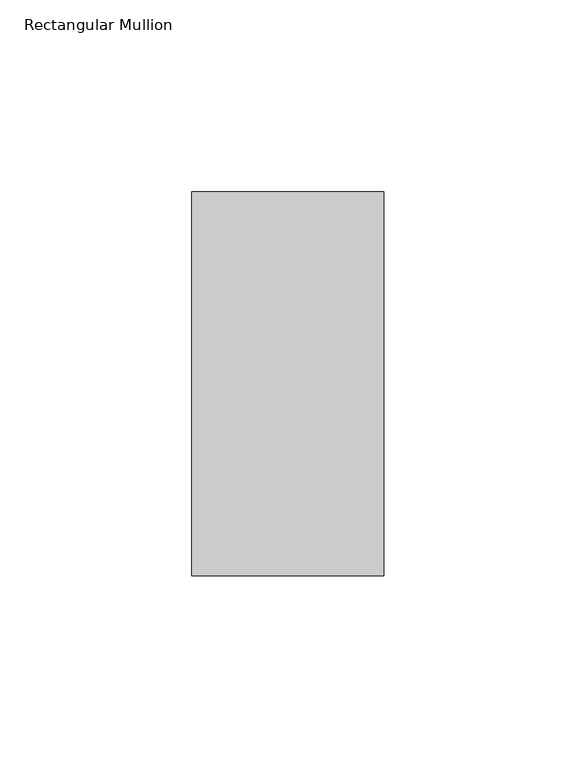
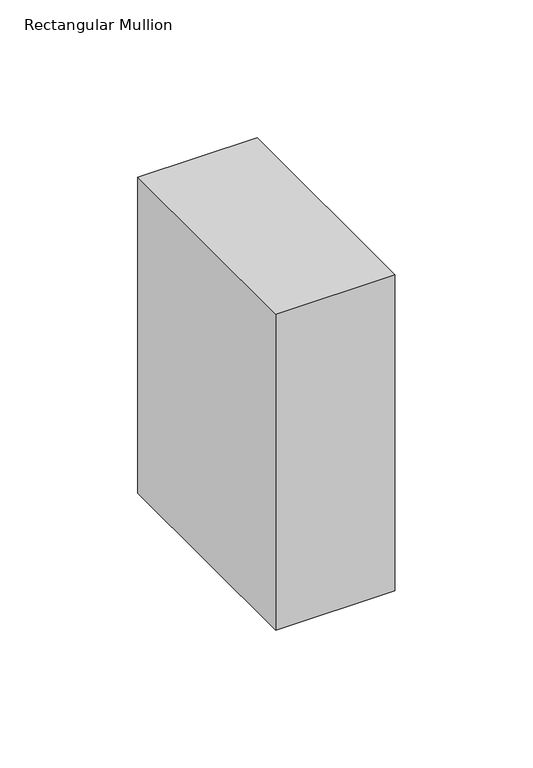
"""IFC4 building model written with IfcOpenShell, lengths in millimetres: member geometry, Rectangular Mullion."""

from ifc_helpers import new_model, si_unit, frame, origin, place, context, project, spatial, polyline, outline, extrude, source, transform, mapped, element, save


def rectangular_mullion_5a40e9d0(model_context):
    return source(origin(), model_context, "Body", "SweptSolid", [
        extrude(outline(polyline([(0.0, 69.0), (0.0, -31.0), (-50.0, -31.0), (-50.0, 69.0), (0.0, 69.0)])), frame((0.0, 0.0, -140.0), z_axis=(0.0, 0.0, 1.0), x_axis=(1.0, 0.0, 0.0)), (0.0, 0.0, 1.0), 140.0),
    ])


if __name__ == "__main__":
    model = new_model("IFC4")
    model_context = context("Model", 3, world=origin())
    ifc_project = project(units=[si_unit("LENGTHUNIT", "METRE", prefix="MILLI")], contexts=[model_context])
    site = spatial("IfcSite", under=ifc_project)
    building = spatial("IfcBuilding", under=site)
    placement = place(None, origin())
    rectangular_mullion_shape = rectangular_mullion_5a40e9d0(model_context)
    element("IfcMember", 1, ObjectType="Rectangular Mullion", at=placement, inside=building, context=model_context, shape_type="MappedRepresentation", body=[
        mapped(rectangular_mullion_shape, transform((0.0, 0.0, 0.0), x_axis=(1.0, 0.0, 0.0), y_axis=(0.0, 1.0, 0.0), z_axis=(0.0, 0.0, 1.0))),
    ])
    save(model, "model.ifc")
